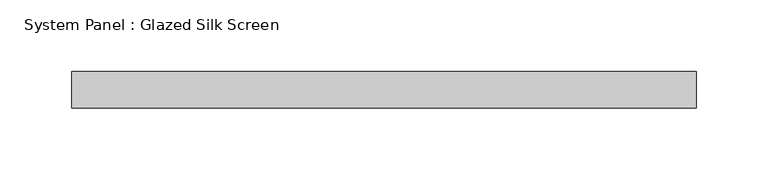
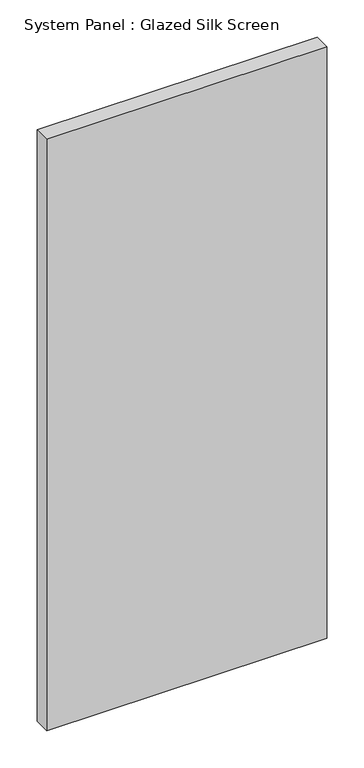
"""IFC4 building model written with IfcOpenShell, lengths in millimetres: plate geometry, System Panel : Glazed Silk Screen."""

from ifc_helpers import new_model, si_unit, origin, origin_with_axes, place, context, project, spatial, polyline, outline, extrude, source, transform, mapped, element, save


def system_panel_glazed_silk_screen_0cc6cd3d(model_context):
    return source(origin(), model_context, "Body", "SweptSolid", [
        extrude(outline(polyline([(217.5197371, 19.05), (-217.5197371, 19.05), (-217.5197371, 44.45), (217.5197371, 44.45), (217.5197371, 19.05)])), origin_with_axes(), (0.0, 0.0, 1.0), 971.55),
    ])


if __name__ == "__main__":
    model = new_model("IFC4")
    model_context = context("Model", 3, world=origin())
    ifc_project = project(units=[si_unit("LENGTHUNIT", "METRE", prefix="MILLI")], contexts=[model_context])
    site = spatial("IfcSite", under=ifc_project)
    building = spatial("IfcBuilding", under=site)
    placement = place(None, origin())
    system_panel_glazed_silk_screen_shape = system_panel_glazed_silk_screen_0cc6cd3d(model_context)
    element("IfcPlate", 1, ObjectType="System Panel : Glazed Silk Screen", at=placement, inside=building, context=model_context, shape_type="MappedRepresentation", body=[
        mapped(system_panel_glazed_silk_screen_shape, transform((0.0, 0.0, 0.0), x_axis=(1.0, 0.0, 0.0), y_axis=(0.0, 1.0, 0.0), z_axis=(0.0, 0.0, 1.0))),
    ])
    save(model, "model.ifc")
